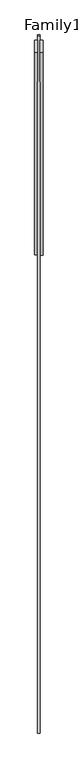
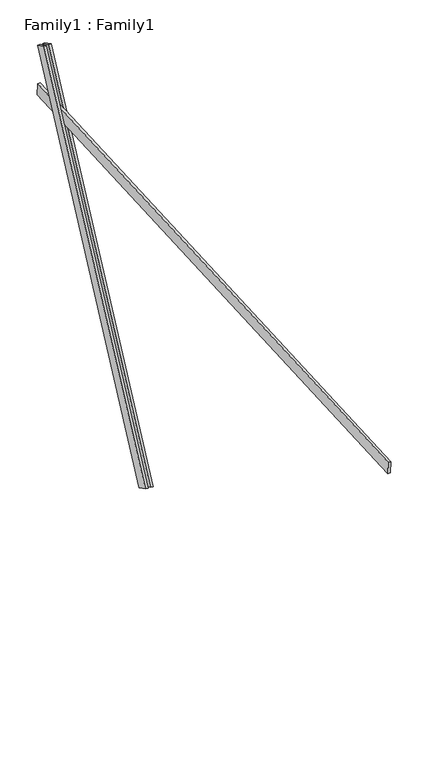
"""IFC4 building model written with IfcOpenShell, lengths in millimetres: proxy geometry, Family1 : Family1."""

from ifc_helpers import new_model, si_unit, frame, origin, place, context, project, spatial, polyline, outline, extrude, source, transform, mapped, element, save


def family1_family1_a9c38c43(model_context):
    return source(origin(), model_context, "Body", "SweptSolid", [
        extrude(outline(polyline([(0.0, 0.0), (0.0, -20.0), (-100.0000001, -20.0), (-100.0000001, 0.0), (0.0, 0.0)])), frame((-30.0, 46.3241747, -22.5938096), z_axis=(0.0, 0.4383711467890692, 0.8987940462991711), x_axis=(0.0, 0.8987940462991711, -0.4383711467890692)), (0.0, 0.0, 1.0), 3300.0),
        extrude(outline(polyline([(0.0, 0.0), (0.0, -20.0), (-99.9999999, -20.0), (-99.9999999, 0.0), (0.0, 0.0)])), frame((10.0, 45.270232, -22.0797674), z_axis=(0.0, 0.4383711467890692, 0.8987940462991711), x_axis=(0.0, 0.8987940462991711, -0.4383711467890692)), (0.0, 0.0, 1.0), 3300.0),
        extrude(outline(polyline([(0.0, -20.0), (0.0, 0.0), (5000.0, 0.0), (5000.0, -20.0), (0.0, -20.0)])), frame((-10.0, -3461.7676401, 2220.8037947), z_axis=(0.0, -0.05233595624294128, 0.998629534754574), x_axis=(0.0, 0.998629534754574, 0.05233595624294128)), (0.0, 0.0, 1.0), 100.0),
    ])


if __name__ == "__main__":
    model = new_model("IFC4")
    model_context = context("Model", 3, world=origin())
    ifc_project = project(units=[si_unit("LENGTHUNIT", "METRE", prefix="MILLI")], contexts=[model_context])
    site = spatial("IfcSite", under=ifc_project)
    building = spatial("IfcBuilding", under=site)
    placement = place(None, origin())
    family1_family1_shape = family1_family1_a9c38c43(model_context)
    element("IfcBuildingElementProxy", 1, Name="Family1 : Family1", ObjectType="Family1 : Family1", at=placement, inside=building, context=model_context, shape_type="MappedRepresentation", body=[
        mapped(family1_family1_shape, transform((0.0, 0.0, 0.0), x_axis=(1.0, 0.0, 0.0), y_axis=(0.0, 1.0, 0.0), z_axis=(0.0, 0.0, 1.0))),
    ])
    save(model, "model.ifc")
